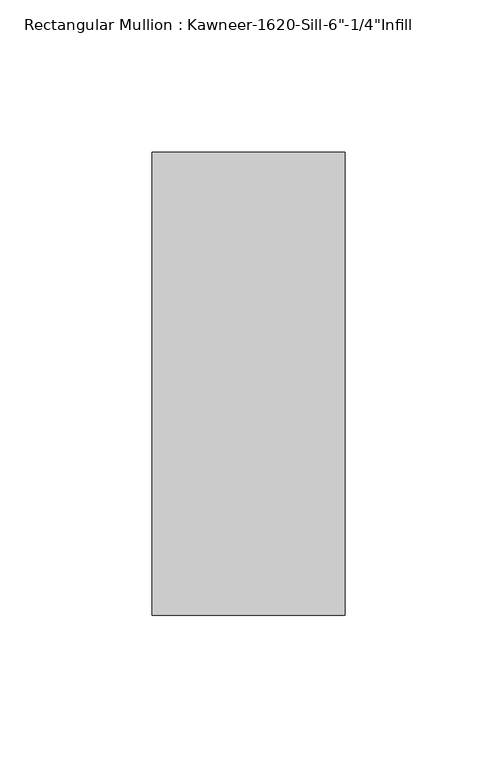
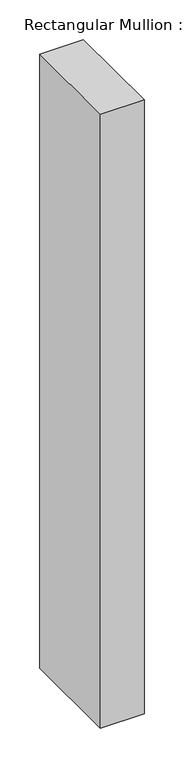
"""IFC4 building model written with IfcOpenShell, lengths in millimetres: member geometry."""

from ifc_helpers import new_model, si_unit, frame, origin, place, context, project, spatial, polyline, outline, extrude, source, transform, mapped, element, save


def member_2092f67f(model_context):
    return source(origin(), model_context, "Body", "SweptSolid", [
        extrude(outline(polyline([(-63.5, -28.575), (-63.5, 123.825), (0.0, 123.825), (0.0, -28.575), (-63.5, -28.575)])), frame((0.0, 0.0, -942.975), z_axis=(0.0, 0.0, 1.0), x_axis=(1.0, 0.0, 0.0)), (0.0, 0.0, 1.0), 942.975),
    ])


if __name__ == "__main__":
    model = new_model("IFC4")
    model_context = context("Model", 3, world=origin())
    ifc_project = project(units=[si_unit("LENGTHUNIT", "METRE", prefix="MILLI")], contexts=[model_context])
    site = spatial("IfcSite", under=ifc_project)
    building = spatial("IfcBuilding", under=site)
    placement = place(None, origin())
    member_shape = member_2092f67f(model_context)
    element("IfcMember", 1, ObjectType="Rectangular Mullion : Kawneer-1620-Sill-6\"-1/4\"Infill", at=placement, inside=building, context=model_context, shape_type="MappedRepresentation", body=[
        mapped(member_shape, transform((0.0, 0.0, 0.0), x_axis=(1.0, 0.0, 0.0), y_axis=(0.0, 1.0, 0.0), z_axis=(0.0, 0.0, 1.0))),
    ])
    save(model, "model.ifc")
